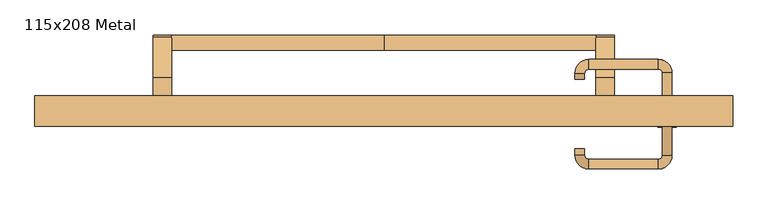
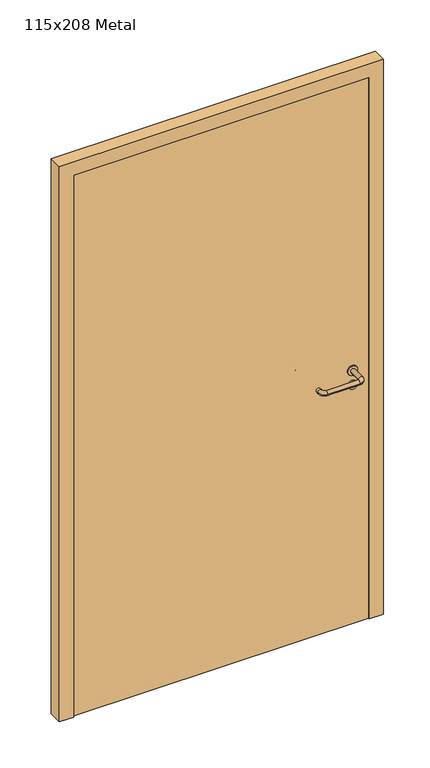
"""IFC4 building model written with IfcOpenShell, lengths in millimetres: door geometry, 115x208 Metal."""

from ifc_helpers import new_model, si_unit, point, frame, frame_2d, origin, origin_with_axes, place, context, project, spatial, polyline, circle_curve, ellipse_curve, trimmed, segment, composite_curve, outline, extrude, source, transform, mapped, element, save
from ifc_brep_helpers import plane_surface, cylinder_surface, revolved_surface, advanced_brep


def door_115x208_metal_a36efa21(model_context):
    return source(origin(), model_context, "Body", "SolidModel", [
        advanced_brep(
        [(-350.0, 25.4171435, 861.5304884), (-350.0, 50.4171435, 861.5304884), (0.0, 50.4171435, 861.5304884), (0.0, 25.4171435, 861.5304884), (350.0, 25.4171435, 861.5304884), (350.0, 50.4171435, 861.5304884)],
        [
            (0, 1, circle_curve(frame((-350.0, 37.9171435, 861.5304884), z_axis=(-1.0, 0.0, 0.0), x_axis=(0.0, 1.0, 0.0)), 12.5)),
            (1, 0, circle_curve(frame((-350.0, 37.9171435, 861.5304884), z_axis=(-1.0, 0.0, 0.0), x_axis=(0.0, 1.0, 0.0)), 12.5)),
            (1, 2),
            (2, 3, circle_curve(frame((0.0, 37.9171435, 861.5304884), z_axis=(-1.0, 0.0, 0.0), x_axis=(0.0, 1.0, 0.0)), 12.5)),
            (3, 0),
            (3, 2, circle_curve(frame((0.0, 37.9171435, 861.5304884), z_axis=(-1.0, 0.0, 0.0), x_axis=(0.0, 1.0, 0.0)), 12.5)),
            (4, 5, circle_curve(frame((350.0, 37.9171435, 861.5304884), z_axis=(1.0, 0.0, 0.0), x_axis=(0.0, 1.0, 0.0)), 12.5)),
            (5, 4, circle_curve(frame((350.0, 37.9171435, 861.5304884), z_axis=(1.0, 0.0, 0.0), x_axis=(0.0, 1.0, 0.0)), 12.5)),
            (4, 3),
            (2, 5),
        ],
        [
            plane_surface(frame((-350.0, 50.4171435, 861.5304884), z_axis=(-1.0, 0.0, 0.0), x_axis=(0.0, 0.0, -1.0))),
            cylinder_surface(frame((-350.0, 37.9171435, 861.5304884), z_axis=(1.0, 0.0, 0.0), x_axis=(0.0, 1.0, 0.0)), 12.5),
            plane_surface(frame((350.0, 50.4171435, 861.5304884), z_axis=(1.0, 0.0, 0.0), x_axis=(0.0, 0.0, 1.0))),
            cylinder_surface(frame((0.0, 37.9171435, 861.5304884), z_axis=(1.0, 0.0, 0.0), x_axis=(0.0, 1.0, 0.0)), 12.5),
        ],
        [
            (0, [[1, 2]]),
            (1, [[-2, 3, 4, 5]]),
            (1, [[-1, -5, 6, -3]]),
            (2, [[7, 8]]),
            (3, [[-7, 9, -4, 10]]),
            (3, [[-8, -10, -6, -9]]),
        ],
    ),
        extrude(outline(composite_curve([segment(polyline([(-20.0, 950.0), (47.492699, 869.5653335)]), True, "CONTINUOUS"), segment(trimmed(circle_curve(frame_2d((37.9171435, 861.5304884)), 12.5), [point((47.492699, 869.5653335))], [point((28.3415879, 853.4956432))], False, "CARTESIAN"), True, "CONTINUOUS"), segment(polyline([(28.3415879, 853.4956432), (-21.4513009, 895.2768379), (-65.0, 895.2768379), (-65.0, 950.0), (-20.0, 950.0)]), True, "CONTINUOUS")], self_intersect=False)), frame((-380.0, 0.0, 0.0), z_axis=(1.0, 0.0, 0.0), x_axis=(0.0, 1.0, 0.0)), (0.0, 0.0, 1.0), 30.0),
        extrude(outline(composite_curve([segment(polyline([(-20.0, 950.0), (47.492699, 869.5653335)]), True, "CONTINUOUS"), segment(trimmed(circle_curve(frame_2d((37.9171435, 861.5304884)), 12.5), [point((47.492699, 869.5653335))], [point((28.3415879, 853.4956432))], False, "CARTESIAN"), True, "CONTINUOUS"), segment(polyline([(28.3415879, 853.4956432), (-21.4513009, 895.2768379), (-65.0, 895.2768379), (-65.0, 950.0), (-20.0, 950.0)]), True, "CONTINUOUS")], self_intersect=False)), frame((350.0, 0.0, 0.0), z_axis=(1.0, 0.0, 0.0), x_axis=(0.0, 1.0, 0.0)), (0.0, 0.0, 1.0), 30.0),
        extrude(outline(composite_curve([segment(trimmed(circle_curve(frame_2d((897.3605726, 467.0)), 15.0), [point((897.3605726, 482.0))], [point((897.3605726, 452.0))], False, "CARTESIAN"), True, "CONTINUOUS"), segment(trimmed(circle_curve(frame_2d((897.3605726, 467.0)), 15.0), [point((897.3605726, 452.0))], [point((897.3605726, 482.0))], False, "CARTESIAN"), True, "CONTINUOUS")], self_intersect=False), holes=[composite_curve([segment(trimmed(circle_curve(frame_2d((892.5833211, 466.9398032)), 2.0), [point((892.5833211, 468.9398032))], [point((892.5833211, 464.9398032))], True, "CARTESIAN"), True, "CONTINUOUS"), segment(polyline([(892.5833211, 464.9398032), (902.5833211, 464.9398032)]), True, "CONTINUOUS"), segment(trimmed(circle_curve(frame_2d((902.5833211, 466.9398032)), 2.0), [point((902.5833211, 464.9398032))], [point((902.5833211, 468.9398032))], True, "CARTESIAN"), True, "CONTINUOUS"), segment(polyline([(902.5833211, 468.9398032), (892.5833211, 468.9398032)]), True, "CONTINUOUS")], self_intersect=False)]), frame((0.0, -65.0, 0.0), z_axis=(0.0, 1.0, 0.0), x_axis=(0.0, 0.0, 1.0)), (0.0, 0.0, 1.0), 6.35),
        extrude(outline(composite_curve([segment(trimmed(circle_curve(frame_2d((950.0, 467.0)), 17.526), [point((950.0, 484.526))], [point((950.0, 449.474))], False, "CARTESIAN"), True, "CONTINUOUS"), segment(trimmed(circle_curve(frame_2d((950.0, 467.0)), 17.526), [point((950.0, 449.474))], [point((950.0, 484.526))], False, "CARTESIAN"), True, "CONTINUOUS")], self_intersect=False)), frame((0.0, -65.0, 0.0), z_axis=(0.0, 1.0, 0.0), x_axis=(0.0, 0.0, 1.0)), (0.0, 0.0, 1.0), 3.175),
        advanced_brep(
        [(475.0, -65.0, 950.0), (459.0, -65.0, 950.0), (475.0, -12.0, 950.0), (459.0, -12.0, 950.0), (452.8578644, -5.8578644, 950.0), (452.8578644, 10.1421356, 950.0), (337.8578644, 10.1421356, 950.0), (337.8578644, -5.8578644, 950.0), (331.008622, -12.7071068, 950.0), (315.008622, -12.7071068, 950.0), (315.008622, -22.7071068, 950.0), (331.008622, -22.7071068, 950.0)],
        [
            (0, 1, circle_curve(frame((467.0, -65.0, 950.0), z_axis=(0.0, -1.0, 0.0), x_axis=(-1.0, 0.0, 0.0)), 8.0)),
            (1, 0, circle_curve(frame((467.0, -65.0, 950.0), z_axis=(0.0, -1.0, 0.0), x_axis=(-1.0, 0.0, 0.0)), 8.0)),
            (0, 2),
            (2, 3, circle_curve(frame((467.0, -12.0, 950.0), z_axis=(0.0, -1.0, 0.0), x_axis=(-1.0, 0.0, 0.0)), 8.0)),
            (3, 1),
            (3, 2, circle_curve(frame((467.0, -12.0, 950.0), z_axis=(0.0, -1.0, 0.0), x_axis=(-1.0, 0.0, 0.0)), 8.0)),
            (4, 3, circle_curve(frame((452.8578644, -12.0, 950.0), z_axis=(0.0, 0.0, -1.0), x_axis=(1.0, 0.0, 0.0)), 6.1421356)),
            (2, 5, circle_curve(frame((452.8578644, -12.0, 950.0), z_axis=(0.0, 0.0, 1.0), x_axis=(1.0, 0.0, 0.0)), 22.1421356)),
            (5, 4, circle_curve(frame((452.8578644, 2.1421356, 950.0), z_axis=(1.0, 0.0, 0.0), x_axis=(0.0, -1.0, 0.0)), 8.0)),
            (4, 5, circle_curve(frame((452.8578644, 2.1421356, 950.0), z_axis=(1.0, 0.0, 0.0), x_axis=(0.0, -1.0, 0.0)), 8.0)),
            (5, 6),
            (6, 7, circle_curve(frame((337.8578644, 2.1421356, 950.0), z_axis=(1.0, 0.0, 0.0), x_axis=(0.0, -1.0, 0.0)), 8.0)),
            (7, 4),
            (7, 6, circle_curve(frame((337.8578644, 2.1421356, 950.0), z_axis=(1.0, 0.0, 0.0), x_axis=(0.0, -1.0, 0.0)), 8.0)),
            (8, 7, circle_curve(frame((337.8578644, -12.7071068, 950.0), z_axis=(0.0, 0.0, -1.0), x_axis=(0.0, 1.0, 0.0)), 6.8492424)),
            (6, 9, circle_curve(frame((337.8578644, -12.7071068, 950.0), z_axis=(0.0, 0.0, 1.0), x_axis=(0.0, 1.0, 0.0)), 22.8492424)),
            (9, 8, circle_curve(frame((323.008622, -12.7071068, 950.0), z_axis=(0.0, 1.0, 0.0), x_axis=(1.0, 0.0, 0.0)), 8.0)),
            (8, 9, circle_curve(frame((323.008622, -12.7071068, 950.0), z_axis=(0.0, 1.0, 0.0), x_axis=(1.0, 0.0, 0.0)), 8.0)),
            (10, 11, circle_curve(frame((323.008622, -22.7071068, 950.0), z_axis=(0.0, -1.0, 0.0), x_axis=(1.0, 0.0, 0.0)), 8.0)),
            (11, 10, circle_curve(frame((323.008622, -22.7071068, 950.0), z_axis=(0.0, -1.0, 0.0), x_axis=(1.0, 0.0, 0.0)), 8.0)),
            (9, 10),
            (11, 8),
        ],
        [
            plane_surface(frame((467.0, -65.0, 170.0), z_axis=(0.0, -1.0, 0.0), x_axis=(0.0, 0.0, 1.0))),
            cylinder_surface(frame((467.0, -65.0, 950.0), z_axis=(0.0, -1.0, 0.0), x_axis=(-1.0, 0.0, 0.0)), 8.0),
            revolved_surface(trimmed(ellipse_curve(frame((467.0, -12.0, 950.0), z_axis=(0.0, -1.0, 0.0), x_axis=(-1.0, 0.0, 0.0)), 8.0, 8.0), [point((475.0, -12.0, 950.0))], [point((459.0, -12.0, 950.0))], True, "CARTESIAN"), (452.8578644, -12.0, 170.0), (0.0, 0.0, 1.0)),
            revolved_surface(trimmed(ellipse_curve(frame((467.0, -12.0, 950.0), z_axis=(0.0, -1.0, 0.0), x_axis=(-1.0, 0.0, 0.0)), 8.0, 8.0), [point((459.0, -12.0, 950.0))], [point((475.0, -12.0, 950.0))], True, "CARTESIAN"), (452.8578644, -12.0, 170.0), (0.0, 0.0, 1.0)),
            cylinder_surface(frame((452.8578644, 2.1421356, 950.0), z_axis=(1.0, 0.0, 0.0), x_axis=(0.0, -1.0, 0.0)), 8.0),
            revolved_surface(trimmed(ellipse_curve(frame((337.8578644, 2.1421356, 950.0), z_axis=(1.0, 0.0, 0.0), x_axis=(0.0, -1.0, 0.0)), 8.0, 8.0), [point((337.8578644, 10.1421356, 950.0))], [point((337.8578644, -5.8578644, 950.0))], True, "CARTESIAN"), (337.8578644, -12.7071068, 170.0), (0.0, 0.0, 1.0)),
            revolved_surface(trimmed(ellipse_curve(frame((337.8578644, 2.1421356, 950.0), z_axis=(1.0, 0.0, 0.0), x_axis=(0.0, -1.0, 0.0)), 8.0, 8.0), [point((337.8578644, -5.8578644, 950.0))], [point((337.8578644, 10.1421356, 950.0))], True, "CARTESIAN"), (337.8578644, -12.7071068, 170.0), (0.0, 0.0, 1.0)),
            plane_surface(frame((323.008622, -22.7071068, 170.0), z_axis=(0.0, -1.0, 0.0), x_axis=(0.0, 0.0, 1.0))),
            cylinder_surface(frame((323.008622, -12.7071068, 950.0), z_axis=(0.0, 1.0, 0.0), x_axis=(1.0, 0.0, 0.0)), 8.0),
        ],
        [
            (0, [[1, 2]]),
            (1, [[-1, 3, 4, 5]]),
            (1, [[-2, -5, 6, -3]]),
            (2, [[7, -4, 8, 9]]),
            (3, [[-8, -6, -7, 10]]),
            (4, [[-9, 11, 12, 13]]),
            (4, [[-10, -13, 14, -11]]),
            (5, [[15, -12, 16, 17]]),
            (6, [[-16, -14, -15, 18]]),
            (7, [[19, 20]]),
            (8, [[-17, 21, -20, 22]]),
            (8, [[-18, -22, -19, -21]]),
        ],
    ),
        extrude(outline(composite_curve([segment(trimmed(circle_curve(frame_2d((0.0, 15.0)), 15.0), [point((0.0, 30.0))], [point((0.0, 0.0))], False, "CARTESIAN"), True, "CONTINUOUS"), segment(trimmed(circle_curve(frame_2d((0.0, 15.0)), 15.0), [point((0.0, 0.0))], [point((0.0, 30.0))], False, "CARTESIAN"), True, "CONTINUOUS")], self_intersect=False), holes=[composite_curve([segment(trimmed(circle_curve(frame_2d((-4.7772515, 14.9398032)), 2.0), [point((-4.7772515, 16.9398032))], [point((-4.7772515, 12.9398032))], True, "CARTESIAN"), True, "CONTINUOUS"), segment(polyline([(-4.7772515, 12.9398032), (5.2227485, 12.9398032)]), True, "CONTINUOUS"), segment(trimmed(circle_curve(frame_2d((5.2227485, 14.9398032)), 2.0), [point((5.2227485, 12.9398032))], [point((5.2227485, 16.9398032))], True, "CARTESIAN"), True, "CONTINUOUS"), segment(polyline([(5.2227485, 16.9398032), (-4.7772515, 16.9398032)]), True, "CONTINUOUS")], self_intersect=False)]), frame((452.0, -101.35, 897.3605726), z_axis=(-1.8870575173328306e-12, 1.0, 0.0), x_axis=(0.0, 0.0, 1.0)), (0.0, 0.0, 1.0), 6.35),
        extrude(outline(composite_curve([segment(trimmed(circle_curve(frame_2d((0.0, 17.526)), 17.526), [point((0.0, 35.052))], [point((0.0, 0.0))], False, "CARTESIAN"), True, "CONTINUOUS"), segment(trimmed(circle_curve(frame_2d((0.0, 17.526)), 17.526), [point((0.0, 0.0))], [point((0.0, 35.052))], False, "CARTESIAN"), True, "CONTINUOUS")], self_intersect=False)), frame((449.474, -98.175, 950.0), z_axis=(-1.8870575173328306e-12, 1.0, 0.0), x_axis=(0.0, 0.0, 1.0)), (0.0, 0.0, 1.0), 3.175),
        advanced_brep(
        [(475.0, -95.0, 950.0), (459.0, -95.0, 950.0), (459.0, -148.0, 950.0), (475.0, -148.0, 950.0), (452.8578644, -154.1421356, 950.0), (452.8578644, -170.1421356, 950.0), (337.8578644, -154.1421356, 950.0), (337.8578644, -170.1421356, 950.0), (331.008622, -147.2928932, 950.0), (315.008622, -147.2928932, 950.0), (315.008622, -137.2928932, 950.0), (331.008622, -137.2928932, 950.0)],
        [
            (0, 1, circle_curve(frame((467.0, -95.0, 950.0), z_axis=(-1.888672253512351e-12, 1.0, 0.0), x_axis=(-1.0, -1.888672253512351e-12, 0.0)), 8.0)),
            (1, 0, circle_curve(frame((467.0, -95.0, 950.0), z_axis=(-1.888672253512351e-12, 1.0, 0.0), x_axis=(-1.0, -1.888672253512351e-12, 0.0)), 8.0)),
            (1, 2),
            (2, 3, circle_curve(frame((467.0, -148.0, 950.0), z_axis=(-1.888672253512351e-12, 1.0, 0.0), x_axis=(-1.0, -1.888672253512351e-12, 0.0)), 8.0)),
            (3, 0),
            (3, 2, circle_curve(frame((467.0, -148.0, 950.0), z_axis=(-1.888672253512351e-12, 1.0, 0.0), x_axis=(-1.0, -1.888672253512351e-12, 0.0)), 8.0)),
            (4, 5, circle_curve(frame((452.8578644, -162.1421356, 950.0), z_axis=(1.0, 1.913702061528922e-12, 0.0), x_axis=(-1.913702061528922e-12, 1.0, 0.0)), 8.0)),
            (5, 3, circle_curve(frame((452.8578644, -148.0, 950.0), z_axis=(0.0, 0.0, 1.0), x_axis=(1.0, 1.880717803715015e-12, 0.0)), 22.1421356)),
            (2, 4, circle_curve(frame((452.8578644, -148.0, 950.0), z_axis=(0.0, 0.0, -1.0), x_axis=(1.0, 1.880717803715015e-12, 0.0)), 6.1421356)),
            (5, 4, circle_curve(frame((452.8578644, -162.1421356, 950.0), z_axis=(1.0, 1.913702061528922e-12, 0.0), x_axis=(-1.913702061528922e-12, 1.0, 0.0)), 8.0)),
            (4, 6),
            (6, 7, circle_curve(frame((337.8578644, -162.1421356, 950.0), z_axis=(1.0, 1.913719828541269e-12, 0.0), x_axis=(-1.913719828541269e-12, 1.0, 0.0)), 8.0)),
            (7, 5),
            (7, 6, circle_curve(frame((337.8578644, -162.1421356, 950.0), z_axis=(1.0, 1.913719828541269e-12, 0.0), x_axis=(-1.913719828541269e-12, 1.0, 0.0)), 8.0)),
            (8, 9, circle_curve(frame((323.008622, -147.2928932, 950.0), z_axis=(1.890226565746826e-12, -1.0, 0.0), x_axis=(1.0, 1.890226565746826e-12, 0.0)), 8.0)),
            (9, 7, circle_curve(frame((337.8578644, -147.2928932, 950.0), z_axis=(0.0, 0.0, 1.0), x_axis=(1.9120873253494017e-12, -1.0, 0.0)), 22.8492424)),
            (6, 8, circle_curve(frame((337.8578644, -147.2928932, 950.0), z_axis=(0.0, 0.0, -1.0), x_axis=(1.9120873253494017e-12, -1.0, 0.0)), 6.8492424)),
            (9, 8, circle_curve(frame((323.008622, -147.2928932, 950.0), z_axis=(1.890670654956676e-12, -1.0, 0.0), x_axis=(1.0, 1.890670654956676e-12, 0.0)), 8.0)),
            (10, 11, circle_curve(frame((323.008622, -137.2928932, 950.0), z_axis=(-1.8903642334018795e-12, 1.0, 0.0), x_axis=(1.0, 1.8903642334018795e-12, 0.0)), 8.0)),
            (11, 10, circle_curve(frame((323.008622, -137.2928932, 950.0), z_axis=(-1.8903642334018795e-12, 1.0, 0.0), x_axis=(1.0, 1.8903642334018795e-12, 0.0)), 8.0)),
            (8, 11),
            (10, 9),
        ],
        [
            plane_surface(frame((467.0, -95.0, 170.0), z_axis=(-1.8870575173328306e-12, 1.0, 0.0), x_axis=(0.0, 0.0, 1.0))),
            cylinder_surface(frame((467.0, -95.0, 950.0), z_axis=(-1.888672253512351e-12, 1.0, 0.0), x_axis=(-1.0, -1.888672253512351e-12, 0.0)), 8.0),
            revolved_surface(trimmed(ellipse_curve(frame((467.0, -148.0, 950.0), z_axis=(1.8823325398945356e-12, -1.0, 0.0), x_axis=(-1.0, -1.8823325398945356e-12, 0.0)), 8.0, 8.0), [point((475.0, -148.0, 950.0))], [point((459.0, -148.0, 950.0))], True, "CARTESIAN"), (452.8578644, -148.0, 170.0), (0.0, 0.0, 1.0)),
            revolved_surface(trimmed(ellipse_curve(frame((467.0, -148.0, 950.0), z_axis=(1.8823325398945356e-12, -1.0, 0.0), x_axis=(-1.0, -1.8823325398945356e-12, 0.0)), 8.0, 8.0), [point((459.0, -148.0, 950.0))], [point((475.0, -148.0, 950.0))], True, "CARTESIAN"), (452.8578644, -148.0, 170.0), (0.0, 0.0, 1.0)),
            cylinder_surface(frame((452.8578644, -162.1421356, 950.0), z_axis=(1.0, 1.913719828541269e-12, 0.0), x_axis=(-1.913719828541269e-12, 1.0, 0.0)), 8.0),
            revolved_surface(trimmed(ellipse_curve(frame((337.8578644, -162.1421356, 950.0), z_axis=(-1.0, -1.913702061528922e-12, 0.0), x_axis=(-1.913702061528922e-12, 1.0, 0.0)), 8.0, 8.0), [point((337.8578644, -170.1421356, 950.0))], [point((337.8578644, -154.1421356, 950.0))], True, "CARTESIAN"), (337.8578644, -147.2928932, 170.0), (0.0, 0.0, 1.0)),
            revolved_surface(trimmed(ellipse_curve(frame((337.8578644, -162.1421356, 950.0), z_axis=(-1.0, -1.913702061528922e-12, 0.0), x_axis=(-1.913702061528922e-12, 1.0, 0.0)), 8.0, 8.0), [point((337.8578644, -154.1421356, 950.0))], [point((337.8578644, -170.1421356, 950.0))], True, "CARTESIAN"), (337.8578644, -147.2928932, 170.0), (0.0, 0.0, 1.0)),
            plane_surface(frame((323.008622, -137.2928932, 170.0), z_axis=(-1.8887494972223595e-12, 1.0, 0.0), x_axis=(0.0, 0.0, 1.0))),
            cylinder_surface(frame((323.008622, -147.2928932, 950.0), z_axis=(1.8903642334018795e-12, -1.0, 0.0), x_axis=(1.0, 1.8903642334018795e-12, 0.0)), 8.0),
        ],
        [
            (0, [[1, 2]]),
            (1, [[3, 4, 5, -2]]),
            (1, [[-5, 6, -3, -1]]),
            (2, [[7, 8, -4, 9]]),
            (3, [[10, -9, -6, -8]]),
            (4, [[11, 12, 13, -7]]),
            (4, [[-13, 14, -11, -10]]),
            (5, [[15, 16, -12, 17]]),
            (6, [[18, -17, -14, -16]]),
            (7, [[19, 20]]),
            (8, [[21, -19, 22, -15]]),
            (8, [[-22, -20, -21, -18]]),
        ],
    ),
        extrude(outline(polyline([(2030.0, 525.0), (0.0, 525.0), (0.0, 575.0), (2080.0, 575.0), (2080.0, -575.0), (0.0, -575.0), (0.0, -525.0), (2030.0, -525.0), (2030.0, 525.0)])), frame((0.0, -100.0, 0.0), z_axis=(0.0, 1.0, 0.0), x_axis=(0.0, 0.0, 1.0)), (0.0, 0.0, 1.0), 50.0),
        extrude(outline(polyline([(-525.0, -95.0), (-525.0, -65.0), (525.0, -65.0), (525.0, -95.0), (-525.0, -95.0)])), origin_with_axes(), (0.0, 0.0, 1.0), 2030.0),
    ])


if __name__ == "__main__":
    model = new_model("IFC4")
    model_context = context("Model", 3, world=origin())
    ifc_project = project(units=[si_unit("LENGTHUNIT", "METRE", prefix="MILLI")], contexts=[model_context])
    site = spatial("IfcSite", under=ifc_project)
    building = spatial("IfcBuilding", under=site)
    placement = place(None, origin())
    door_115x208_metal_shape = door_115x208_metal_a36efa21(model_context)
    element("IfcDoor", 1, ObjectType="115x208 Metal", at=placement, inside=building, context=model_context, shape_type="MappedRepresentation", body=[
        mapped(door_115x208_metal_shape, transform((0.0, 0.0, 0.0), x_axis=(1.0, 0.0, 0.0), y_axis=(0.0, 1.0, 0.0), z_axis=(0.0, 0.0, 1.0))),
    ])
    save(model, "model.ifc")
